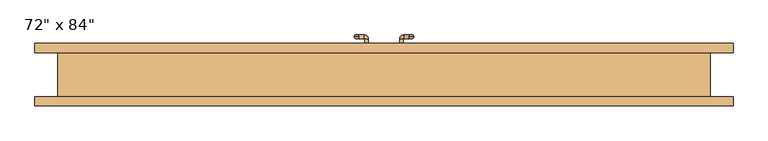
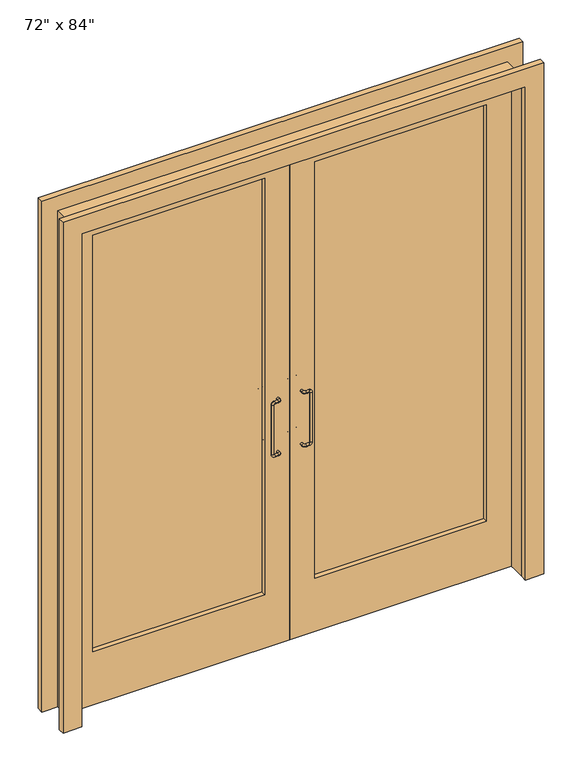
"""IFC4 building model written with IfcOpenShell, lengths in millimetres: door geometry."""

import ifcopenshell
import ifcopenshell.guid

model = None  # the IFC model being written
_history = None  # IfcOwnerHistory: only IFC2X3 demands one
_inside = {}  # id of a spatial element -> (the spatial element, [elements in it])
_under = {}  # id of a project, library or spatial element -> (it, [spatial elements below it])
_declared = {}  # id of a project -> (the project, [libraries it declares])
_typed = {}  # id of a type object -> (the type object, [elements of that type])
_made_of = {}  # id of a material, layer set ... -> (it, [elements and type objects made of it])


def new_model(schema):
    """Start an empty IFC model of exactly this schema.

    Asked for "IFC4X3", IfcOpenShell would pick the latest addendum, in which some entities
    have other attributes; the version numbers below select the first issue.
    IFC2X3 requires an IfcOwnerHistory on every rooted entity: one is made here for all.
    """
    global model, _history
    if schema == "IFC4X3":
        model = ifcopenshell.file(schema_version=(4, 3, 0, 0))
    else:
        model = ifcopenshell.file(schema=schema)
    _inside.clear()
    _under.clear()
    _declared.clear()
    _typed.clear()
    _made_of.clear()
    _history = None
    if model.schema == "IFC2X3":
        org = make("IfcOrganization", Name="unknown")
        user = make(
            "IfcPersonAndOrganization",
            ThePerson=make("IfcPerson", FamilyName="unknown"),
            TheOrganization=org,
        )
        app = make(
            "IfcApplication",
            ApplicationDeveloper=org,
            Version="unknown",
            ApplicationFullName="unknown",
            ApplicationIdentifier="unknown",
        )
        _history = make(
            "IfcOwnerHistory",
            OwningUser=user,
            OwningApplication=app,
            ChangeAction="ADDED",
            CreationDate=0,
        )
    return model


def make(cls, **values):
    """One entity of the class cls with the attributes given. An attribute that is None is left unset."""
    return model.create_entity(
        cls, **{name: value for name, value in values.items() if value is not None}
    )


def rooted(cls, **values):
    """An entity with a GlobalId (a new one), such as an element, a storey or a relation."""
    return make(cls, GlobalId=ifcopenshell.guid.new(), OwnerHistory=_history, **values)


def si_unit(unit_type, name, prefix=None):
    """IfcSIUnit, for example si_unit("LENGTHUNIT", "METRE", prefix="MILLI")."""
    return make("IfcSIUnit", UnitType=unit_type, Prefix=prefix, Name=name)


def assignment(units):
    """IfcUnitAssignment: the units of a project."""
    return None if units is None else make("IfcUnitAssignment", Units=units)


def point(xyz):
    """IfcCartesianPoint."""
    return None if xyz is None else make("IfcCartesianPoint", Coordinates=xyz)


def direction(xyz):
    """IfcDirection."""
    return None if xyz is None else make("IfcDirection", DirectionRatios=xyz)


def frame(location, z_axis=None, x_axis=None):
    """IfcAxis2Placement3D, a coordinate frame: its origin and axes. An axis left out is left unset."""
    return make(
        "IfcAxis2Placement3D",
        Location=point(location),
        Axis=direction(z_axis),
        RefDirection=direction(x_axis),
    )


def origin():
    """The frame at (0, 0, 0) with its axes left unset."""
    return frame((0.0, 0.0, 0.0))


def place(relative_to, where):
    """IfcLocalPlacement: puts the frame where relative to a parent placement (None: the world)."""
    return make(
        "IfcLocalPlacement", PlacementRelTo=relative_to, RelativePlacement=where
    )


def context(
    kind, dimensions, precision=None, world=None, true_north=None, identifier=None
):
    """IfcGeometricRepresentationContext, for example the 3D "Model" context."""
    return make(
        "IfcGeometricRepresentationContext",
        ContextIdentifier=identifier,
        ContextType=kind,
        CoordinateSpaceDimension=dimensions,
        Precision=precision,
        WorldCoordinateSystem=world,
        TrueNorth=true_north,
    )


def project(units=None, contexts=None):
    """IfcProject with its units and contexts."""
    return rooted(
        "IfcProject",
        Name="project",
        RepresentationContexts=contexts,
        UnitsInContext=assignment(units),
    )


def spatial(cls, under=None, at=None, **own):
    """A site, building, storey or space (cls), placed at a placement, below another one or the project."""
    s = rooted(cls, ObjectPlacement=at, **own)
    if under is not None:
        _under.setdefault(under.id(), (under, []))[1].append(s)
    return s


def polyline(points):
    """IfcPolyline through the points."""
    return make("IfcPolyline", Points=[point(p) for p in points])


def circle_curve(where, radius):
    """IfcCircle in the frame where."""
    return make("IfcCircle", Position=where, Radius=radius)


def ellipse_curve(where, semi_axis1, semi_axis2):
    """IfcEllipse in the frame where."""
    return make(
        "IfcEllipse", Position=where, SemiAxis1=semi_axis1, SemiAxis2=semi_axis2
    )


def trimmed(basis, trim1, trim2, sense, master):
    """IfcTrimmedCurve: the piece of a basis curve between two trims."""
    return make(
        "IfcTrimmedCurve",
        BasisCurve=basis,
        Trim1=trim1,
        Trim2=trim2,
        SenseAgreement=sense,
        MasterRepresentation=master,
    )


def outline(outer, holes=None, kind="AREA"):
    """IfcArbitraryClosedProfileDef: a profile drawn as a closed curve; with holes, ...WithVoids."""
    if holes is None:
        return make("IfcArbitraryClosedProfileDef", ProfileType=kind, OuterCurve=outer)
    return make(
        "IfcArbitraryProfileDefWithVoids",
        ProfileType=kind,
        OuterCurve=outer,
        InnerCurves=holes,
    )


def extrude(swept, where, along, depth):
    """IfcExtrudedAreaSolid: the profile swept, set in the frame where, extruded along a direction by depth."""
    return make(
        "IfcExtrudedAreaSolid",
        SweptArea=swept,
        Position=where,
        ExtrudedDirection=direction(along),
        Depth=depth,
    )


def shape(context_of_items, identifier, shape_type, items):
    """IfcShapeRepresentation: the items that make up one representation, for example the "Body"."""
    return make(
        "IfcShapeRepresentation",
        ContextOfItems=context_of_items,
        RepresentationIdentifier=identifier,
        RepresentationType=shape_type,
        Items=items,
    )


def source(mapping_origin, context_of_items, identifier, shape_type, items):
    """IfcRepresentationMap: a shape defined once, which mapped items show again and again."""
    return make(
        "IfcRepresentationMap",
        MappingOrigin=mapping_origin,
        MappedRepresentation=shape(context_of_items, identifier, shape_type, items),
    )


def transform(
    local_origin,
    x_axis=None,
    y_axis=None,
    z_axis=None,
    scale=None,
    scale2=None,
    scale3=None,
    uniform=True,
):
    """IfcCartesianTransformationOperator3D, or its non-uniform kind. x_axis, y_axis, z_axis: its Axis1, 2, 3."""
    if uniform:
        return make(
            "IfcCartesianTransformationOperator3D",
            Axis1=direction(x_axis),
            Axis2=direction(y_axis),
            LocalOrigin=point(local_origin),
            Scale=scale,
            Axis3=direction(z_axis),
        )
    return make(
        "IfcCartesianTransformationOperator3DnonUniform",
        Axis1=direction(x_axis),
        Axis2=direction(y_axis),
        LocalOrigin=point(local_origin),
        Scale=scale,
        Axis3=direction(z_axis),
        Scale2=scale2,
        Scale3=scale3,
    )


def mapped(mapping_source, mapping_target):
    """IfcMappedItem: shows the shape of a source again, moved by a transform."""
    return make(
        "IfcMappedItem", MappingSource=mapping_source, MappingTarget=mapping_target
    )


def made_of(thing, what):
    """Note that an element or type object is made of a material, layer set ...; save() writes the relation."""
    if what is not None:
        _made_of.setdefault(what.id(), (what, []))[1].append(thing)
    return thing


def element(
    cls,
    number,
    at=None,
    inside=None,
    cuts=None,
    type_object=None,
    material=None,
    context=None,
    identifier="Body",
    shape_type=None,
    held_by="IfcProductDefinitionShape",
    body=None,
    shapes=None,
    **own,
):
    """One element of the class cls, such as IfcWall. Its Tag is "e" and its number.

    at: its placement. inside: the storey or other place that contains it. cuts: it is an
    opening in that element (IfcRelVoidsElement). A single representation is given by context,
    identifier, shape_type and body (its items); several are given by shapes. held_by: the class
    of the entity that holds the representations. save() writes the other relations.
    """
    e = rooted(cls, Tag="e%d" % number, ObjectPlacement=at, **own)
    if body is not None:
        shapes = [shape(context, identifier, shape_type, body)]
    if shapes is not None:
        e.Representation = make(held_by, Representations=shapes)
    if inside is not None:
        _inside.setdefault(inside.id(), (inside, []))[1].append(e)
    if cuts is not None:
        rooted(
            "IfcRelVoidsElement", RelatingBuildingElement=cuts, RelatedOpeningElement=e
        )
    if type_object is not None:
        _typed.setdefault(type_object.id(), (type_object, []))[1].append(e)
    return made_of(e, material)


def aggregate(whole, parts):
    """IfcRelAggregates: a whole, such as a stair, and the parts it consists of."""
    return rooted("IfcRelAggregates", RelatingObject=whole, RelatedObjects=parts)


def save(model, path):
    """Write the relations noted so far, then the file.

    IfcRelAggregates (storeys below a building ...), IfcRelContainedInSpatialStructure (elements
    in a storey), IfcRelDefinesByType, IfcRelAssociatesMaterial and IfcRelDeclares: one each for
    every whole, place, type object, material and project.
    """
    for whole, parts in _under.values():
        aggregate(whole, parts)
    for where, things in _inside.values():
        rooted(
            "IfcRelContainedInSpatialStructure",
            RelatedElements=things,
            RelatingStructure=where,
        )
    for kind, things in _typed.values():
        rooted("IfcRelDefinesByType", RelatedObjects=things, RelatingType=kind)
    for what, things in _made_of.values():
        rooted("IfcRelAssociatesMaterial", RelatedObjects=things, RelatingMaterial=what)
    for by, libraries in _declared.values():
        rooted("IfcRelDeclares", RelatingContext=by, RelatedDefinitions=libraries)
    model.write(path)


def plane_surface(at):
    """IfcPlane: the flat surface through the origin of the frame at, square to its z axis."""
    return make("IfcPlane", Position=at)


def cylinder_surface(at, radius):
    """IfcCylindricalSurface: all points at the distance radius from the z axis of the frame at."""
    return make("IfcCylindricalSurface", Position=at, Radius=radius)


def revolved_surface(curve, axis_point, axis_direction):
    """IfcSurfaceOfRevolution: the curve turned about the line through axis_point along axis_direction."""
    return make(
        "IfcSurfaceOfRevolution",
        SweptCurve=make("IfcArbitraryOpenProfileDef", ProfileType="CURVE", Curve=curve),
        AxisPosition=make("IfcAxis1Placement", Location=point(axis_point), Axis=direction(axis_direction)),
    )


def advanced_brep(points, edges, surfaces, faces):
    """IfcAdvancedBrep: a solid bounded by faces that lie on surfaces and meet in shared edges.

    An edge is (start, end): straight between two places in points (the first is 0);
    or (start, end, curve); or (start, end, curve, False) where it runs against its curve.
    A face is (place in surfaces, loops), or (place, loops, False) where it looks against
    its surface's normal. A loop lists edges by number (the first is 1), with a minus sign
    where the edge is run from its end to its start. The first loop is the outer one.
    """
    corners = [point(p) for p in points]
    vertices = [make("IfcVertexPoint", VertexGeometry=c) for c in corners]
    made = []
    for start, end, *more in edges:
        made.append(
            make(
                "IfcEdgeCurve",
                EdgeStart=vertices[start],
                EdgeEnd=vertices[end],
                EdgeGeometry=more[0] if more else make("IfcPolyline", Points=[corners[start], corners[end]]),
                SameSense=more[1] if len(more) > 1 else True,
            )
        )
    hull = []
    for where, loops, *sense in faces:
        bounds = []
        for j, loop in enumerate(loops):
            ring = [make("IfcOrientedEdge", EdgeElement=made[abs(k) - 1], Orientation=k > 0) for k in loop]
            bounds.append(
                make(
                    "IfcFaceOuterBound" if j == 0 else "IfcFaceBound",
                    Bound=make("IfcEdgeLoop", EdgeList=ring),
                    Orientation=True,
                )
            )
        hull.append(make("IfcAdvancedFace", Bounds=bounds, FaceSurface=surfaces[where], SameSense=sense[0] if sense else True))
    return make("IfcAdvancedBrep", Outer=make("IfcClosedShell", CfsFaces=hull))


def door_be21f1e5(model_context):
    return source(origin(), model_context, "Body", "SolidModel", [
        advanced_brep(
        [(-83.5, 106.2, 833.5), (-70.5, 106.2, 820.5), (-70.5, 101.2, 825.5), (-70.5, 106.2, 830.5), (-73.5, 106.2, 833.5), (-70.5, 111.2, 825.5), (-73.5, 106.2, 1046.1), (-83.5, 106.2, 1046.1), (-70.5, 106.2, 1049.1), (-70.5, 101.2, 1054.1), (-70.5, 106.2, 1059.1), (-70.5, 111.2, 1054.1), (-43.5, 76.2, 1054.1), (-53.5, 76.2, 1054.1), (-43.5, 99.2, 1054.1), (-53.5, 99.2, 1054.1), (-55.5, 111.2, 1054.1), (-55.5, 101.2, 1054.1), (-43.5, 76.2, 825.5), (-53.5, 76.2, 825.5), (-43.5, 99.2, 825.5), (-53.5, 99.2, 825.5), (-55.5, 111.2, 825.5), (-55.5, 101.2, 825.5)],
        [
            (0, 1, circle_curve(frame((-70.5, 106.2, 833.5), z_axis=(0.0, -1.0, 0.0), x_axis=(0.0, 0.0, -1.0)), 13.0)),
            (1, 2, circle_curve(frame((-70.5, 106.2, 825.5), z_axis=(-1.0, 0.0, 0.0), x_axis=(0.0, 0.0, -1.0)), 5.0)),
            (2, 3, circle_curve(frame((-70.5, 106.2, 825.5), z_axis=(-1.0, 0.0, 0.0), x_axis=(0.0, 0.0, -1.0)), 5.0)),
            (3, 4, circle_curve(frame((-70.5, 106.2, 833.5), z_axis=(0.0, 1.0, 0.0), x_axis=(0.0, 0.0, -1.0)), 3.0)),
            (4, 0, circle_curve(frame((-78.5, 106.2, 833.5), z_axis=(0.0, 0.0, -1.0), x_axis=(-1.0, 0.0, 0.0)), 5.0)),
            (0, 4, circle_curve(frame((-78.5, 106.2, 833.5), z_axis=(0.0, 0.0, -1.0), x_axis=(-1.0, 0.0, 0.0)), 5.0)),
            (3, 5, circle_curve(frame((-70.5, 106.2, 825.5), z_axis=(-1.0, 0.0, 0.0), x_axis=(0.0, 0.0, -1.0)), 5.0)),
            (5, 1, circle_curve(frame((-70.5, 106.2, 825.5), z_axis=(-1.0, 0.0, 0.0), x_axis=(0.0, 0.0, -1.0)), 5.0)),
            (4, 6),
            (6, 7, circle_curve(frame((-78.5, 106.2, 1046.1), z_axis=(0.0, 0.0, -1.0), x_axis=(-1.0, 0.0, 0.0)), 5.0)),
            (7, 0),
            (7, 6, circle_curve(frame((-78.5, 106.2, 1046.1), z_axis=(0.0, 0.0, -1.0), x_axis=(-1.0, 0.0, 0.0)), 5.0)),
            (6, 8, circle_curve(frame((-70.5, 106.2, 1046.1), z_axis=(0.0, 1.0, 0.0), x_axis=(-1.0, 0.0, 0.0)), 3.0)),
            (8, 9, circle_curve(frame((-70.5, 106.2, 1054.1), z_axis=(-1.0, 0.0, 0.0), x_axis=(0.0, 0.0, 1.0)), 5.0)),
            (9, 10, circle_curve(frame((-70.5, 106.2, 1054.1), z_axis=(-1.0, 0.0, 0.0), x_axis=(0.0, 0.0, 1.0)), 5.0)),
            (10, 7, circle_curve(frame((-70.5, 106.2, 1046.1), z_axis=(0.0, -1.0, 0.0), x_axis=(-1.0, 0.0, 0.0)), 13.0)),
            (10, 11, circle_curve(frame((-70.5, 106.2, 1054.1), z_axis=(-1.0, 0.0, 0.0), x_axis=(0.0, 0.0, 1.0)), 5.0)),
            (11, 8, circle_curve(frame((-70.5, 106.2, 1054.1), z_axis=(-1.0, 0.0, 0.0), x_axis=(0.0, 0.0, 1.0)), 5.0)),
            (12, 13, circle_curve(frame((-48.5, 76.2, 1054.1), z_axis=(0.0, -1.0, 0.0), x_axis=(-1.0, 0.0, 0.0)), 5.0)),
            (13, 12, circle_curve(frame((-48.5, 76.2, 1054.1), z_axis=(0.0, -1.0, 0.0), x_axis=(-1.0, 0.0, 0.0)), 5.0)),
            (12, 14),
            (14, 15, circle_curve(frame((-48.5, 99.2, 1054.1), z_axis=(0.0, -1.0, 0.0), x_axis=(-1.0, 0.0, 0.0)), 5.0)),
            (15, 13),
            (15, 14, circle_curve(frame((-48.5, 99.2, 1054.1), z_axis=(0.0, -1.0, 0.0), x_axis=(-1.0, 0.0, 0.0)), 5.0)),
            (14, 16, circle_curve(frame((-55.5, 99.2, 1054.1), z_axis=(0.0, 0.0, 1.0), x_axis=(1.0, 0.0, 0.0)), 12.0)),
            (16, 17, circle_curve(frame((-55.5, 106.2, 1054.1), z_axis=(1.0, 0.0, 0.0), x_axis=(0.0, -1.0, 0.0)), 5.0)),
            (17, 15, circle_curve(frame((-55.5, 99.2, 1054.1), z_axis=(0.0, 0.0, -1.0), x_axis=(1.0, 0.0, 0.0)), 2.0)),
            (17, 16, circle_curve(frame((-55.5, 106.2, 1054.1), z_axis=(1.0, 0.0, 0.0), x_axis=(0.0, -1.0, 0.0)), 5.0)),
            (16, 11),
            (9, 17),
            (18, 19, circle_curve(frame((-48.5, 76.2, 825.5), z_axis=(0.0, -1.0, 0.0), x_axis=(-1.0, 0.0, 0.0)), 5.0)),
            (19, 18, circle_curve(frame((-48.5, 76.2, 825.5), z_axis=(0.0, -1.0, 0.0), x_axis=(-1.0, 0.0, 0.0)), 5.0)),
            (18, 20),
            (20, 21, circle_curve(frame((-48.5, 99.2, 825.5), z_axis=(0.0, -1.0, 0.0), x_axis=(-1.0, 0.0, 0.0)), 5.0)),
            (21, 19),
            (21, 20, circle_curve(frame((-48.5, 99.2, 825.5), z_axis=(0.0, -1.0, 0.0), x_axis=(-1.0, 0.0, 0.0)), 5.0)),
            (20, 22, circle_curve(frame((-55.5, 99.2, 825.5), z_axis=(0.0, 0.0, 1.0), x_axis=(1.0, 0.0, 0.0)), 12.0)),
            (22, 23, circle_curve(frame((-55.5, 106.2, 825.5), z_axis=(1.0, 0.0, 0.0), x_axis=(0.0, -1.0, 0.0)), 5.0)),
            (23, 21, circle_curve(frame((-55.5, 99.2, 825.5), z_axis=(0.0, 0.0, -1.0), x_axis=(1.0, 0.0, 0.0)), 2.0)),
            (23, 22, circle_curve(frame((-55.5, 106.2, 825.5), z_axis=(1.0, 0.0, 0.0), x_axis=(0.0, -1.0, 0.0)), 5.0)),
            (22, 5),
            (2, 23),
        ],
        [
            revolved_surface(trimmed(ellipse_curve(frame((-70.5, 106.2, 825.5), z_axis=(1.0, 0.0, 0.0), x_axis=(0.0, 0.0, -1.0)), 5.0, 5.0), [point((-70.5, 106.2, 830.5))], [point((-70.5, 106.2, 820.5))], True, "CARTESIAN"), (-70.5, 106.2, 833.5), (0.0, 1.0, 0.0)),
            revolved_surface(trimmed(ellipse_curve(frame((-70.5, 106.2, 825.5), z_axis=(1.0, 0.0, 0.0), x_axis=(0.0, 0.0, -1.0)), 5.0, 5.0), [point((-70.5, 106.2, 820.5))], [point((-70.5, 106.2, 830.5))], True, "CARTESIAN"), (-70.5, 106.2, 833.5), (0.0, 1.0, 0.0)),
            cylinder_surface(frame((-78.5, 106.2, 833.5), z_axis=(0.0, 0.0, -1.0), x_axis=(-1.0, 0.0, 0.0)), 5.0),
            revolved_surface(trimmed(ellipse_curve(frame((-78.5, 106.2, 1046.1), z_axis=(0.0, 0.0, -1.0), x_axis=(-1.0, 0.0, 0.0)), 5.0, 5.0), [point((-73.5, 106.2, 1046.1))], [point((-83.5, 106.2, 1046.1))], True, "CARTESIAN"), (-70.5, 106.2, 1046.1), (0.0, 1.0, 0.0)),
            revolved_surface(trimmed(ellipse_curve(frame((-78.5, 106.2, 1046.1), z_axis=(0.0, 0.0, -1.0), x_axis=(-1.0, 0.0, 0.0)), 5.0, 5.0), [point((-83.5, 106.2, 1046.1))], [point((-73.5, 106.2, 1046.1))], True, "CARTESIAN"), (-70.5, 106.2, 1046.1), (0.0, 1.0, 0.0)),
            plane_surface(frame((-48.5, 76.2, 1054.1), z_axis=(0.0, -1.0, 0.0), x_axis=(0.0, 0.0, 1.0))),
            cylinder_surface(frame((-48.5, 76.2, 1054.1), z_axis=(0.0, -1.0, 0.0), x_axis=(-1.0, 0.0, 0.0)), 5.0),
            revolved_surface(trimmed(ellipse_curve(frame((-48.5, 99.2, 1054.1), z_axis=(0.0, -1.0, 0.0), x_axis=(-1.0, 0.0, 0.0)), 5.0, 5.0), [point((-43.5, 99.2, 1054.1))], [point((-53.5, 99.2, 1054.1))], True, "CARTESIAN"), (-55.5, 99.2, 1054.1), (0.0, 0.0, 1.0)),
            revolved_surface(trimmed(ellipse_curve(frame((-48.5, 99.2, 1054.1), z_axis=(0.0, -1.0, 0.0), x_axis=(-1.0, 0.0, 0.0)), 5.0, 5.0), [point((-53.5, 99.2, 1054.1))], [point((-43.5, 99.2, 1054.1))], True, "CARTESIAN"), (-55.5, 99.2, 1054.1), (0.0, 0.0, 1.0)),
            cylinder_surface(frame((-55.5, 106.2, 1054.1), z_axis=(1.0, 0.0, 0.0), x_axis=(0.0, -1.0, 0.0)), 5.0),
            plane_surface(frame((-48.5, 76.2, 825.5), z_axis=(0.0, -1.0, 0.0), x_axis=(0.0, 0.0, 1.0))),
            cylinder_surface(frame((-48.5, 76.2, 825.5), z_axis=(0.0, -1.0, 0.0), x_axis=(-1.0, 0.0, 0.0)), 5.0),
            revolved_surface(trimmed(ellipse_curve(frame((-48.5, 99.2, 825.5), z_axis=(0.0, -1.0, 0.0), x_axis=(-1.0, 0.0, 0.0)), 5.0, 5.0), [point((-43.5, 99.2, 825.5))], [point((-53.5, 99.2, 825.5))], True, "CARTESIAN"), (-55.5, 99.2, 825.5), (0.0, 0.0, 1.0)),
            revolved_surface(trimmed(ellipse_curve(frame((-48.5, 99.2, 825.5), z_axis=(0.0, -1.0, 0.0), x_axis=(-1.0, 0.0, 0.0)), 5.0, 5.0), [point((-53.5, 99.2, 825.5))], [point((-43.5, 99.2, 825.5))], True, "CARTESIAN"), (-55.5, 99.2, 825.5), (0.0, 0.0, 1.0)),
            cylinder_surface(frame((-55.5, 106.2, 825.5), z_axis=(1.0, 0.0, 0.0), x_axis=(0.0, -1.0, 0.0)), 5.0),
        ],
        [
            (0, [[1, 2, 3, 4, 5]]),
            (1, [[-1, 6, -4, 7, 8]]),
            (2, [[-5, 9, 10, 11]]),
            (2, [[-6, -11, 12, -9]]),
            (3, [[-10, 13, 14, 15, 16]]),
            (4, [[-12, -16, 17, 18, -13]]),
            (5, [[19, 20]]),
            (6, [[-19, 21, 22, 23]]),
            (6, [[-20, -23, 24, -21]]),
            (7, [[-22, 25, 26, 27]]),
            (8, [[-24, -27, 28, -25]]),
            (9, [[-26, 29, -17, -15, 30]]),
            (9, [[-28, -30, -14, -18, -29]]),
            (10, [[31, 32]]),
            (11, [[-31, 33, 34, 35]]),
            (11, [[-32, -35, 36, -33]]),
            (12, [[-34, 37, 38, 39]]),
            (13, [[-36, -39, 40, -37]]),
            (14, [[-38, 41, -7, -3, 42]]),
            (14, [[-40, -42, -2, -8, -41]]),
        ],
    ),
        advanced_brep(
        [(83.5, 106.2, 833.5), (73.5, 106.2, 833.5), (70.5, 106.2, 830.5), (70.5, 101.2, 825.5), (70.5, 106.2, 820.5), (70.5, 111.2, 825.5), (83.5, 106.2, 1046.1), (73.5, 106.2, 1046.1), (70.5, 106.2, 1059.1), (70.5, 101.2, 1054.1), (70.5, 106.2, 1049.1), (70.5, 111.2, 1054.1), (43.5, 76.2, 1054.1), (53.5, 76.2, 1054.1), (53.5, 99.2, 1054.1), (43.5, 99.2, 1054.1), (55.5, 101.2, 1054.1), (55.5, 111.2, 1054.1), (43.5, 76.2, 825.5), (53.5, 76.2, 825.5), (53.5, 99.2, 825.5), (43.5, 99.2, 825.5), (55.5, 101.2, 825.5), (55.5, 111.2, 825.5)],
        [
            (0, 1, circle_curve(frame((78.5, 106.2, 833.5), z_axis=(0.0, 0.0, -1.0), x_axis=(1.0, 0.0, 0.0)), 5.0)),
            (1, 2, circle_curve(frame((70.5, 106.2, 833.5), z_axis=(0.0, 1.0, 0.0), x_axis=(0.0, 0.0, -1.0)), 3.0)),
            (2, 3, circle_curve(frame((70.5, 106.2, 825.5), z_axis=(1.0, 0.0, 0.0), x_axis=(0.0, 0.0, -1.0)), 5.0)),
            (3, 4, circle_curve(frame((70.5, 106.2, 825.5), z_axis=(1.0, 0.0, 0.0), x_axis=(0.0, 0.0, -1.0)), 5.0)),
            (4, 0, circle_curve(frame((70.5, 106.2, 833.5), z_axis=(0.0, -1.0, 0.0), x_axis=(0.0, 0.0, -1.0)), 13.0)),
            (4, 5, circle_curve(frame((70.5, 106.2, 825.5), z_axis=(1.0, 0.0, 0.0), x_axis=(0.0, 0.0, -1.0)), 5.0)),
            (5, 2, circle_curve(frame((70.5, 106.2, 825.5), z_axis=(1.0, 0.0, 0.0), x_axis=(0.0, 0.0, -1.0)), 5.0)),
            (1, 0, circle_curve(frame((78.5, 106.2, 833.5), z_axis=(0.0, 0.0, -1.0), x_axis=(1.0, 0.0, 0.0)), 5.0)),
            (0, 6),
            (6, 7, circle_curve(frame((78.5, 106.2, 1046.1), z_axis=(0.0, 0.0, -1.0), x_axis=(1.0, 0.0, 0.0)), 5.0)),
            (7, 1),
            (7, 6, circle_curve(frame((78.5, 106.2, 1046.1), z_axis=(0.0, 0.0, -1.0), x_axis=(1.0, 0.0, 0.0)), 5.0)),
            (6, 8, circle_curve(frame((70.5, 106.2, 1046.1), z_axis=(0.0, -1.0, 0.0), x_axis=(1.0, 0.0, 0.0)), 13.0)),
            (8, 9, circle_curve(frame((70.5, 106.2, 1054.1), z_axis=(1.0, 0.0, 0.0), x_axis=(0.0, 0.0, 1.0)), 5.0)),
            (9, 10, circle_curve(frame((70.5, 106.2, 1054.1), z_axis=(1.0, 0.0, 0.0), x_axis=(0.0, 0.0, 1.0)), 5.0)),
            (10, 7, circle_curve(frame((70.5, 106.2, 1046.1), z_axis=(0.0, 1.0, 0.0), x_axis=(1.0, 0.0, 0.0)), 3.0)),
            (10, 11, circle_curve(frame((70.5, 106.2, 1054.1), z_axis=(1.0, 0.0, 0.0), x_axis=(0.0, 0.0, 1.0)), 5.0)),
            (11, 8, circle_curve(frame((70.5, 106.2, 1054.1), z_axis=(1.0, 0.0, 0.0), x_axis=(0.0, 0.0, 1.0)), 5.0)),
            (12, 13, circle_curve(frame((48.5, 76.2, 1054.1), z_axis=(0.0, -1.0, 0.0), x_axis=(1.0, 0.0, 0.0)), 5.0)),
            (13, 12, circle_curve(frame((48.5, 76.2, 1054.1), z_axis=(0.0, -1.0, 0.0), x_axis=(1.0, 0.0, 0.0)), 5.0)),
            (13, 14),
            (14, 15, circle_curve(frame((48.5, 99.2, 1054.1), z_axis=(0.0, -1.0, 0.0), x_axis=(1.0, 0.0, 0.0)), 5.0)),
            (15, 12),
            (15, 14, circle_curve(frame((48.5, 99.2, 1054.1), z_axis=(0.0, -1.0, 0.0), x_axis=(1.0, 0.0, 0.0)), 5.0)),
            (14, 16, circle_curve(frame((55.5, 99.2, 1054.1), z_axis=(0.0, 0.0, -1.0), x_axis=(-1.0, 0.0, 0.0)), 2.0)),
            (16, 17, circle_curve(frame((55.5, 106.2, 1054.1), z_axis=(-1.0, 0.0, 0.0), x_axis=(0.0, -1.0, 0.0)), 5.0)),
            (17, 15, circle_curve(frame((55.5, 99.2, 1054.1), z_axis=(0.0, 0.0, 1.0), x_axis=(-1.0, 0.0, 0.0)), 12.0)),
            (17, 16, circle_curve(frame((55.5, 106.2, 1054.1), z_axis=(-1.0, 0.0, 0.0), x_axis=(0.0, -1.0, 0.0)), 5.0)),
            (16, 9),
            (11, 17),
            (18, 19, circle_curve(frame((48.5, 76.2, 825.5), z_axis=(0.0, -1.0, 0.0), x_axis=(1.0, 0.0, 0.0)), 5.0)),
            (19, 18, circle_curve(frame((48.5, 76.2, 825.5), z_axis=(0.0, -1.0, 0.0), x_axis=(1.0, 0.0, 0.0)), 5.0)),
            (19, 20),
            (20, 21, circle_curve(frame((48.5, 99.2, 825.5), z_axis=(0.0, -1.0, 0.0), x_axis=(1.0, 0.0, 0.0)), 5.0)),
            (21, 18),
            (21, 20, circle_curve(frame((48.5, 99.2, 825.5), z_axis=(0.0, -1.0, 0.0), x_axis=(1.0, 0.0, 0.0)), 5.0)),
            (20, 22, circle_curve(frame((55.5, 99.2, 825.5), z_axis=(0.0, 0.0, -1.0), x_axis=(-1.0, 0.0, 0.0)), 2.0)),
            (22, 23, circle_curve(frame((55.5, 106.2, 825.5), z_axis=(-1.0, 0.0, 0.0), x_axis=(0.0, -1.0, 0.0)), 5.0)),
            (23, 21, circle_curve(frame((55.5, 99.2, 825.5), z_axis=(0.0, 0.0, 1.0), x_axis=(-1.0, 0.0, 0.0)), 12.0)),
            (23, 22, circle_curve(frame((55.5, 106.2, 825.5), z_axis=(-1.0, 0.0, 0.0), x_axis=(0.0, -1.0, 0.0)), 5.0)),
            (22, 3),
            (5, 23),
        ],
        [
            revolved_surface(trimmed(ellipse_curve(frame((70.5, 106.2, 825.5), z_axis=(1.0, 0.0, 0.0), x_axis=(0.0, 0.0, -1.0)), 5.0, 5.0), [point((70.5, 106.2, 830.5))], [point((70.5, 106.2, 820.5))], True, "CARTESIAN"), (70.5, 106.2, 833.5), (0.0, 1.0, 0.0)),
            revolved_surface(trimmed(ellipse_curve(frame((70.5, 106.2, 825.5), z_axis=(1.0, 0.0, 0.0), x_axis=(0.0, 0.0, -1.0)), 5.0, 5.0), [point((70.5, 106.2, 820.5))], [point((70.5, 106.2, 830.5))], True, "CARTESIAN"), (70.5, 106.2, 833.5), (0.0, 1.0, 0.0)),
            cylinder_surface(frame((78.5, 106.2, 833.5), z_axis=(0.0, 0.0, -1.0), x_axis=(1.0, 0.0, 0.0)), 5.0),
            revolved_surface(trimmed(ellipse_curve(frame((78.5, 106.2, 1046.1), z_axis=(0.0, 0.0, 1.0), x_axis=(1.0, 0.0, 0.0)), 5.0, 5.0), [point((73.5, 106.2, 1046.1))], [point((83.5, 106.2, 1046.1))], True, "CARTESIAN"), (70.5, 106.2, 1046.1), (0.0, 1.0, 0.0)),
            revolved_surface(trimmed(ellipse_curve(frame((78.5, 106.2, 1046.1), z_axis=(0.0, 0.0, 1.0), x_axis=(1.0, 0.0, 0.0)), 5.0, 5.0), [point((83.5, 106.2, 1046.1))], [point((73.5, 106.2, 1046.1))], True, "CARTESIAN"), (70.5, 106.2, 1046.1), (0.0, 1.0, 0.0)),
            plane_surface(frame((48.5, 76.2, 1054.1), z_axis=(0.0, -1.0, 0.0), x_axis=(0.0, 0.0, 1.0))),
            cylinder_surface(frame((48.5, 76.2, 1054.1), z_axis=(0.0, -1.0, 0.0), x_axis=(1.0, 0.0, 0.0)), 5.0),
            revolved_surface(trimmed(ellipse_curve(frame((48.5, 99.2, 1054.1), z_axis=(0.0, 1.0, 0.0), x_axis=(1.0, 0.0, 0.0)), 5.0, 5.0), [point((43.5, 99.2, 1054.1))], [point((53.5, 99.2, 1054.1))], True, "CARTESIAN"), (55.5, 99.2, 1054.1), (0.0, 0.0, 1.0)),
            revolved_surface(trimmed(ellipse_curve(frame((48.5, 99.2, 1054.1), z_axis=(0.0, 1.0, 0.0), x_axis=(1.0, 0.0, 0.0)), 5.0, 5.0), [point((53.5, 99.2, 1054.1))], [point((43.5, 99.2, 1054.1))], True, "CARTESIAN"), (55.5, 99.2, 1054.1), (0.0, 0.0, 1.0)),
            cylinder_surface(frame((55.5, 106.2, 1054.1), z_axis=(-1.0, 0.0, 0.0), x_axis=(0.0, -1.0, 0.0)), 5.0),
            plane_surface(frame((48.5, 76.2, 825.5), z_axis=(0.0, -1.0, 0.0), x_axis=(0.0, 0.0, 1.0))),
            cylinder_surface(frame((48.5, 76.2, 825.5), z_axis=(0.0, -1.0, 0.0), x_axis=(1.0, 0.0, 0.0)), 5.0),
            revolved_surface(trimmed(ellipse_curve(frame((48.5, 99.2, 825.5), z_axis=(0.0, 1.0, 0.0), x_axis=(1.0, 0.0, 0.0)), 5.0, 5.0), [point((43.5, 99.2, 825.5))], [point((53.5, 99.2, 825.5))], True, "CARTESIAN"), (55.5, 99.2, 825.5), (0.0, 0.0, 1.0)),
            revolved_surface(trimmed(ellipse_curve(frame((48.5, 99.2, 825.5), z_axis=(0.0, 1.0, 0.0), x_axis=(1.0, 0.0, 0.0)), 5.0, 5.0), [point((53.5, 99.2, 825.5))], [point((43.5, 99.2, 825.5))], True, "CARTESIAN"), (55.5, 99.2, 825.5), (0.0, 0.0, 1.0)),
            cylinder_surface(frame((55.5, 106.2, 825.5), z_axis=(-1.0, 0.0, 0.0), x_axis=(0.0, -1.0, 0.0)), 5.0),
        ],
        [
            (0, [[1, 2, 3, 4, 5]]),
            (1, [[6, 7, -2, 8, -5]]),
            (2, [[9, 10, 11, -1]]),
            (2, [[-11, 12, -9, -8]]),
            (3, [[13, 14, 15, 16, -10]]),
            (4, [[-16, 17, 18, -13, -12]]),
            (5, [[19, 20]]),
            (6, [[21, 22, 23, -20]]),
            (6, [[-23, 24, -21, -19]]),
            (7, [[25, 26, 27, -22]]),
            (8, [[-27, 28, -25, -24]]),
            (9, [[29, -14, -18, 30, -26]]),
            (9, [[-30, -17, -15, -29, -28]]),
            (10, [[31, 32]]),
            (11, [[33, 34, 35, -32]]),
            (11, [[-35, 36, -33, -31]]),
            (12, [[37, 38, 39, -34]]),
            (13, [[-39, 40, -37, -36]]),
            (14, [[41, -3, -7, 42, -38]]),
            (14, [[-42, -6, -4, -41, -40]]),
        ],
    ),
        advanced_brep(
        [(-83.5, -4.6, 833.5), (-73.5, -4.6, 833.5), (-70.5, -4.6, 830.5), (-70.5, 0.4, 825.5), (-70.5, -4.6, 820.5), (-70.5, -9.6, 825.5), (-83.5, -4.6, 1046.1), (-73.5, -4.6, 1046.1), (-70.5, -4.6, 1059.1), (-70.5, 0.4, 1054.1), (-70.5, -4.6, 1049.1), (-70.5, -9.6, 1054.1), (-43.5, 25.4, 1054.1), (-53.5, 25.4, 1054.1), (-53.5, 2.4, 1054.1), (-43.5, 2.4, 1054.1), (-55.5, 0.4, 1054.1), (-55.5, -9.6, 1054.1), (-43.5, 25.4, 825.5), (-53.5, 25.4, 825.5), (-53.5, 2.4, 825.5), (-43.5, 2.4, 825.5), (-55.5, 0.4, 825.5), (-55.5, -9.6, 825.5)],
        [
            (0, 1, circle_curve(frame((-78.5, -4.6, 833.5), z_axis=(0.0, 0.0, -1.0), x_axis=(-1.0, 0.0, 0.0)), 5.0)),
            (1, 2, circle_curve(frame((-70.5, -4.6, 833.5), z_axis=(0.0, -1.0, 0.0), x_axis=(0.0, 0.0, -1.0)), 3.0)),
            (2, 3, circle_curve(frame((-70.5, -4.6, 825.5), z_axis=(-1.0, 0.0, 0.0), x_axis=(0.0, 0.0, -1.0)), 5.0)),
            (3, 4, circle_curve(frame((-70.5, -4.6, 825.5), z_axis=(-1.0, 0.0, 0.0), x_axis=(0.0, 0.0, -1.0)), 5.0)),
            (4, 0, circle_curve(frame((-70.5, -4.6, 833.5), z_axis=(0.0, 1.0, 0.0), x_axis=(0.0, 0.0, -1.0)), 13.0)),
            (4, 5, circle_curve(frame((-70.5, -4.6, 825.5), z_axis=(-1.0, 0.0, 0.0), x_axis=(0.0, 0.0, -1.0)), 5.0)),
            (5, 2, circle_curve(frame((-70.5, -4.6, 825.5), z_axis=(-1.0, 0.0, 0.0), x_axis=(0.0, 0.0, -1.0)), 5.0)),
            (1, 0, circle_curve(frame((-78.5, -4.6, 833.5), z_axis=(0.0, 0.0, -1.0), x_axis=(-1.0, 0.0, 0.0)), 5.0)),
            (0, 6),
            (6, 7, circle_curve(frame((-78.5, -4.6, 1046.1), z_axis=(0.0, 0.0, -1.0), x_axis=(-1.0, 0.0, 0.0)), 5.0)),
            (7, 1),
            (7, 6, circle_curve(frame((-78.5, -4.6, 1046.1), z_axis=(0.0, 0.0, -1.0), x_axis=(-1.0, 0.0, 0.0)), 5.0)),
            (6, 8, circle_curve(frame((-70.5, -4.6, 1046.1), z_axis=(0.0, 1.0, 0.0), x_axis=(-1.0, 0.0, 0.0)), 13.0)),
            (8, 9, circle_curve(frame((-70.5, -4.6, 1054.1), z_axis=(-1.0, 0.0, 0.0), x_axis=(0.0, 0.0, 1.0)), 5.0)),
            (9, 10, circle_curve(frame((-70.5, -4.6, 1054.1), z_axis=(-1.0, 0.0, 0.0), x_axis=(0.0, 0.0, 1.0)), 5.0)),
            (10, 7, circle_curve(frame((-70.5, -4.6, 1046.1), z_axis=(0.0, -1.0, 0.0), x_axis=(-1.0, 0.0, 0.0)), 3.0)),
            (10, 11, circle_curve(frame((-70.5, -4.6, 1054.1), z_axis=(-1.0, 0.0, 0.0), x_axis=(0.0, 0.0, 1.0)), 5.0)),
            (11, 8, circle_curve(frame((-70.5, -4.6, 1054.1), z_axis=(-1.0, 0.0, 0.0), x_axis=(0.0, 0.0, 1.0)), 5.0)),
            (12, 13, circle_curve(frame((-48.5, 25.4, 1054.1), z_axis=(0.0, 1.0, 0.0), x_axis=(-1.0, 0.0, 0.0)), 5.0)),
            (13, 12, circle_curve(frame((-48.5, 25.4, 1054.1), z_axis=(0.0, 1.0, 0.0), x_axis=(-1.0, 0.0, 0.0)), 5.0)),
            (13, 14),
            (14, 15, circle_curve(frame((-48.5, 2.4, 1054.1), z_axis=(0.0, 1.0, 0.0), x_axis=(-1.0, 0.0, 0.0)), 5.0)),
            (15, 12),
            (15, 14, circle_curve(frame((-48.5, 2.4, 1054.1), z_axis=(0.0, 1.0, 0.0), x_axis=(-1.0, 0.0, 0.0)), 5.0)),
            (14, 16, circle_curve(frame((-55.5, 2.4, 1054.1), z_axis=(0.0, 0.0, -1.0), x_axis=(1.0, 0.0, 0.0)), 2.0)),
            (16, 17, circle_curve(frame((-55.5, -4.6, 1054.1), z_axis=(1.0, 0.0, 0.0), x_axis=(0.0, 1.0, 0.0)), 5.0)),
            (17, 15, circle_curve(frame((-55.5, 2.4, 1054.1), z_axis=(0.0, 0.0, 1.0), x_axis=(1.0, 0.0, 0.0)), 12.0)),
            (17, 16, circle_curve(frame((-55.5, -4.6, 1054.1), z_axis=(1.0, 0.0, 0.0), x_axis=(0.0, 1.0, 0.0)), 5.0)),
            (16, 9),
            (11, 17),
            (18, 19, circle_curve(frame((-48.5, 25.4, 825.5), z_axis=(0.0, 1.0, 0.0), x_axis=(-1.0, 0.0, 0.0)), 5.0)),
            (19, 18, circle_curve(frame((-48.5, 25.4, 825.5), z_axis=(0.0, 1.0, 0.0), x_axis=(-1.0, 0.0, 0.0)), 5.0)),
            (19, 20),
            (20, 21, circle_curve(frame((-48.5, 2.4, 825.5), z_axis=(0.0, 1.0, 0.0), x_axis=(-1.0, 0.0, 0.0)), 5.0)),
            (21, 18),
            (21, 20, circle_curve(frame((-48.5, 2.4, 825.5), z_axis=(0.0, 1.0, 0.0), x_axis=(-1.0, 0.0, 0.0)), 5.0)),
            (20, 22, circle_curve(frame((-55.5, 2.4, 825.5), z_axis=(0.0, 0.0, -1.0), x_axis=(1.0, 0.0, 0.0)), 2.0)),
            (22, 23, circle_curve(frame((-55.5, -4.6, 825.5), z_axis=(1.0, 0.0, 0.0), x_axis=(0.0, 1.0, 0.0)), 5.0)),
            (23, 21, circle_curve(frame((-55.5, 2.4, 825.5), z_axis=(0.0, 0.0, 1.0), x_axis=(1.0, 0.0, 0.0)), 12.0)),
            (23, 22, circle_curve(frame((-55.5, -4.6, 825.5), z_axis=(1.0, 0.0, 0.0), x_axis=(0.0, 1.0, 0.0)), 5.0)),
            (22, 3),
            (5, 23),
        ],
        [
            revolved_surface(trimmed(ellipse_curve(frame((-70.5, -4.6, 825.5), z_axis=(-1.0, 0.0, 0.0), x_axis=(0.0, 0.0, -1.0)), 5.0, 5.0), [point((-70.5, -4.6, 830.5))], [point((-70.5, -4.6, 820.5))], True, "CARTESIAN"), (-70.5, -4.6, 833.5), (0.0, -1.0, 0.0)),
            revolved_surface(trimmed(ellipse_curve(frame((-70.5, -4.6, 825.5), z_axis=(-1.0, 0.0, 0.0), x_axis=(0.0, 0.0, -1.0)), 5.0, 5.0), [point((-70.5, -4.6, 820.5))], [point((-70.5, -4.6, 830.5))], True, "CARTESIAN"), (-70.5, -4.6, 833.5), (0.0, -1.0, 0.0)),
            cylinder_surface(frame((-78.5, -4.6, 833.5), z_axis=(0.0, 0.0, -1.0), x_axis=(-1.0, 0.0, 0.0)), 5.0),
            revolved_surface(trimmed(ellipse_curve(frame((-78.5, -4.6, 1046.1), z_axis=(0.0, 0.0, 1.0), x_axis=(-1.0, 0.0, 0.0)), 5.0, 5.0), [point((-73.5, -4.6, 1046.1))], [point((-83.5, -4.6, 1046.1))], True, "CARTESIAN"), (-70.5, -4.6, 1046.1), (0.0, -1.0, 0.0)),
            revolved_surface(trimmed(ellipse_curve(frame((-78.5, -4.6, 1046.1), z_axis=(0.0, 0.0, 1.0), x_axis=(-1.0, 0.0, 0.0)), 5.0, 5.0), [point((-83.5, -4.6, 1046.1))], [point((-73.5, -4.6, 1046.1))], True, "CARTESIAN"), (-70.5, -4.6, 1046.1), (0.0, -1.0, 0.0)),
            plane_surface(frame((-48.5, 25.4, 1054.1), z_axis=(0.0, 1.0, 0.0), x_axis=(0.0, 0.0, 1.0))),
            cylinder_surface(frame((-48.5, 25.4, 1054.1), z_axis=(0.0, 1.0, 0.0), x_axis=(-1.0, 0.0, 0.0)), 5.0),
            revolved_surface(trimmed(ellipse_curve(frame((-48.5, 2.4, 1054.1), z_axis=(0.0, -1.0, 0.0), x_axis=(-1.0, 0.0, 0.0)), 5.0, 5.0), [point((-43.5, 2.4, 1054.1))], [point((-53.5, 2.4, 1054.1))], True, "CARTESIAN"), (-55.5, 2.4, 1054.1), (0.0, 0.0, 1.0)),
            revolved_surface(trimmed(ellipse_curve(frame((-48.5, 2.4, 1054.1), z_axis=(0.0, -1.0, 0.0), x_axis=(-1.0, 0.0, 0.0)), 5.0, 5.0), [point((-53.5, 2.4, 1054.1))], [point((-43.5, 2.4, 1054.1))], True, "CARTESIAN"), (-55.5, 2.4, 1054.1), (0.0, 0.0, 1.0)),
            cylinder_surface(frame((-55.5, -4.6, 1054.1), z_axis=(1.0, 0.0, 0.0), x_axis=(0.0, 1.0, 0.0)), 5.0),
            plane_surface(frame((-48.5, 25.4, 825.5), z_axis=(0.0, 1.0, 0.0), x_axis=(0.0, 0.0, 1.0))),
            cylinder_surface(frame((-48.5, 25.4, 825.5), z_axis=(0.0, 1.0, 0.0), x_axis=(-1.0, 0.0, 0.0)), 5.0),
            revolved_surface(trimmed(ellipse_curve(frame((-48.5, 2.4, 825.5), z_axis=(0.0, -1.0, 0.0), x_axis=(-1.0, 0.0, 0.0)), 5.0, 5.0), [point((-43.5, 2.4, 825.5))], [point((-53.5, 2.4, 825.5))], True, "CARTESIAN"), (-55.5, 2.4, 825.5), (0.0, 0.0, 1.0)),
            revolved_surface(trimmed(ellipse_curve(frame((-48.5, 2.4, 825.5), z_axis=(0.0, -1.0, 0.0), x_axis=(-1.0, 0.0, 0.0)), 5.0, 5.0), [point((-53.5, 2.4, 825.5))], [point((-43.5, 2.4, 825.5))], True, "CARTESIAN"), (-55.5, 2.4, 825.5), (0.0, 0.0, 1.0)),
            cylinder_surface(frame((-55.5, -4.6, 825.5), z_axis=(1.0, 0.0, 0.0), x_axis=(0.0, 1.0, 0.0)), 5.0),
        ],
        [
            (0, [[1, 2, 3, 4, 5]]),
            (1, [[6, 7, -2, 8, -5]]),
            (2, [[9, 10, 11, -1]]),
            (2, [[-11, 12, -9, -8]]),
            (3, [[13, 14, 15, 16, -10]]),
            (4, [[-16, 17, 18, -13, -12]]),
            (5, [[19, 20]]),
            (6, [[21, 22, 23, -20]]),
            (6, [[-23, 24, -21, -19]]),
            (7, [[25, 26, 27, -22]]),
            (8, [[-27, 28, -25, -24]]),
            (9, [[29, -14, -18, 30, -26]]),
            (9, [[-30, -17, -15, -29, -28]]),
            (10, [[31, 32]]),
            (11, [[33, 34, 35, -32]]),
            (11, [[-35, 36, -33, -31]]),
            (12, [[37, 38, 39, -34]]),
            (13, [[-39, 40, -37, -36]]),
            (14, [[41, -3, -7, 42, -38]]),
            (14, [[-42, -6, -4, -41, -40]]),
        ],
    ),
        advanced_brep(
        [(83.5, -4.6, 833.5), (70.5, -4.6, 820.5), (70.5, 0.4, 825.5), (70.5, -4.6, 830.5), (73.5, -4.6, 833.5), (70.5, -9.6, 825.5), (73.5, -4.6, 1046.1), (83.5, -4.6, 1046.1), (70.5, -4.6, 1049.1), (70.5, 0.4, 1054.1), (70.5, -4.6, 1059.1), (70.5, -9.6, 1054.1), (43.5, 25.4, 1054.1), (53.5, 25.4, 1054.1), (43.5, 2.4, 1054.1), (53.5, 2.4, 1054.1), (55.5, -9.6, 1054.1), (55.5, 0.4, 1054.1), (43.5, 25.4, 825.5), (53.5, 25.4, 825.5), (43.5, 2.4, 825.5), (53.5, 2.4, 825.5), (55.5, -9.6, 825.5), (55.5, 0.4, 825.5)],
        [
            (0, 1, circle_curve(frame((70.5, -4.6, 833.5), z_axis=(0.0, 1.0, 0.0), x_axis=(0.0, 0.0, -1.0)), 13.0)),
            (1, 2, circle_curve(frame((70.5, -4.6, 825.5), z_axis=(1.0, 0.0, 0.0), x_axis=(0.0, 0.0, -1.0)), 5.0)),
            (2, 3, circle_curve(frame((70.5, -4.6, 825.5), z_axis=(1.0, 0.0, 0.0), x_axis=(0.0, 0.0, -1.0)), 5.0)),
            (3, 4, circle_curve(frame((70.5, -4.6, 833.5), z_axis=(0.0, -1.0, 0.0), x_axis=(0.0, 0.0, -1.0)), 3.0)),
            (4, 0, circle_curve(frame((78.5, -4.6, 833.5), z_axis=(0.0, 0.0, -1.0), x_axis=(1.0, 0.0, 0.0)), 5.0)),
            (0, 4, circle_curve(frame((78.5, -4.6, 833.5), z_axis=(0.0, 0.0, -1.0), x_axis=(1.0, 0.0, 0.0)), 5.0)),
            (3, 5, circle_curve(frame((70.5, -4.6, 825.5), z_axis=(1.0, 0.0, 0.0), x_axis=(0.0, 0.0, -1.0)), 5.0)),
            (5, 1, circle_curve(frame((70.5, -4.6, 825.5), z_axis=(1.0, 0.0, 0.0), x_axis=(0.0, 0.0, -1.0)), 5.0)),
            (4, 6),
            (6, 7, circle_curve(frame((78.5, -4.6, 1046.1), z_axis=(0.0, 0.0, -1.0), x_axis=(1.0, 0.0, 0.0)), 5.0)),
            (7, 0),
            (7, 6, circle_curve(frame((78.5, -4.6, 1046.1), z_axis=(0.0, 0.0, -1.0), x_axis=(1.0, 0.0, 0.0)), 5.0)),
            (6, 8, circle_curve(frame((70.5, -4.6, 1046.1), z_axis=(0.0, -1.0, 0.0), x_axis=(1.0, 0.0, 0.0)), 3.0)),
            (8, 9, circle_curve(frame((70.5, -4.6, 1054.1), z_axis=(1.0, 0.0, 0.0), x_axis=(0.0, 0.0, 1.0)), 5.0)),
            (9, 10, circle_curve(frame((70.5, -4.6, 1054.1), z_axis=(1.0, 0.0, 0.0), x_axis=(0.0, 0.0, 1.0)), 5.0)),
            (10, 7, circle_curve(frame((70.5, -4.6, 1046.1), z_axis=(0.0, 1.0, 0.0), x_axis=(1.0, 0.0, 0.0)), 13.0)),
            (10, 11, circle_curve(frame((70.5, -4.6, 1054.1), z_axis=(1.0, 0.0, 0.0), x_axis=(0.0, 0.0, 1.0)), 5.0)),
            (11, 8, circle_curve(frame((70.5, -4.6, 1054.1), z_axis=(1.0, 0.0, 0.0), x_axis=(0.0, 0.0, 1.0)), 5.0)),
            (12, 13, circle_curve(frame((48.5, 25.4, 1054.1), z_axis=(0.0, 1.0, 0.0), x_axis=(1.0, 0.0, 0.0)), 5.0)),
            (13, 12, circle_curve(frame((48.5, 25.4, 1054.1), z_axis=(0.0, 1.0, 0.0), x_axis=(1.0, 0.0, 0.0)), 5.0)),
            (12, 14),
            (14, 15, circle_curve(frame((48.5, 2.4, 1054.1), z_axis=(0.0, 1.0, 0.0), x_axis=(1.0, 0.0, 0.0)), 5.0)),
            (15, 13),
            (15, 14, circle_curve(frame((48.5, 2.4, 1054.1), z_axis=(0.0, 1.0, 0.0), x_axis=(1.0, 0.0, 0.0)), 5.0)),
            (14, 16, circle_curve(frame((55.5, 2.4, 1054.1), z_axis=(0.0, 0.0, 1.0), x_axis=(-1.0, 0.0, 0.0)), 12.0)),
            (16, 17, circle_curve(frame((55.5, -4.6, 1054.1), z_axis=(-1.0, 0.0, 0.0), x_axis=(0.0, 1.0, 0.0)), 5.0)),
            (17, 15, circle_curve(frame((55.5, 2.4, 1054.1), z_axis=(0.0, 0.0, -1.0), x_axis=(-1.0, 0.0, 0.0)), 2.0)),
            (17, 16, circle_curve(frame((55.5, -4.6, 1054.1), z_axis=(-1.0, 0.0, 0.0), x_axis=(0.0, 1.0, 0.0)), 5.0)),
            (16, 11),
            (9, 17),
            (18, 19, circle_curve(frame((48.5, 25.4, 825.5), z_axis=(0.0, 1.0, 0.0), x_axis=(1.0, 0.0, 0.0)), 5.0)),
            (19, 18, circle_curve(frame((48.5, 25.4, 825.5), z_axis=(0.0, 1.0, 0.0), x_axis=(1.0, 0.0, 0.0)), 5.0)),
            (18, 20),
            (20, 21, circle_curve(frame((48.5, 2.4, 825.5), z_axis=(0.0, 1.0, 0.0), x_axis=(1.0, 0.0, 0.0)), 5.0)),
            (21, 19),
            (21, 20, circle_curve(frame((48.5, 2.4, 825.5), z_axis=(0.0, 1.0, 0.0), x_axis=(1.0, 0.0, 0.0)), 5.0)),
            (20, 22, circle_curve(frame((55.5, 2.4, 825.5), z_axis=(0.0, 0.0, 1.0), x_axis=(-1.0, 0.0, 0.0)), 12.0)),
            (22, 23, circle_curve(frame((55.5, -4.6, 825.5), z_axis=(-1.0, 0.0, 0.0), x_axis=(0.0, 1.0, 0.0)), 5.0)),
            (23, 21, circle_curve(frame((55.5, 2.4, 825.5), z_axis=(0.0, 0.0, -1.0), x_axis=(-1.0, 0.0, 0.0)), 2.0)),
            (23, 22, circle_curve(frame((55.5, -4.6, 825.5), z_axis=(-1.0, 0.0, 0.0), x_axis=(0.0, 1.0, 0.0)), 5.0)),
            (22, 5),
            (2, 23),
        ],
        [
            revolved_surface(trimmed(ellipse_curve(frame((70.5, -4.6, 825.5), z_axis=(-1.0, 0.0, 0.0), x_axis=(0.0, 0.0, -1.0)), 5.0, 5.0), [point((70.5, -4.6, 830.5))], [point((70.5, -4.6, 820.5))], True, "CARTESIAN"), (70.5, -4.6, 833.5), (0.0, -1.0, 0.0)),
            revolved_surface(trimmed(ellipse_curve(frame((70.5, -4.6, 825.5), z_axis=(-1.0, 0.0, 0.0), x_axis=(0.0, 0.0, -1.0)), 5.0, 5.0), [point((70.5, -4.6, 820.5))], [point((70.5, -4.6, 830.5))], True, "CARTESIAN"), (70.5, -4.6, 833.5), (0.0, -1.0, 0.0)),
            cylinder_surface(frame((78.5, -4.6, 833.5), z_axis=(0.0, 0.0, -1.0), x_axis=(1.0, 0.0, 0.0)), 5.0),
            revolved_surface(trimmed(ellipse_curve(frame((78.5, -4.6, 1046.1), z_axis=(0.0, 0.0, -1.0), x_axis=(1.0, 0.0, 0.0)), 5.0, 5.0), [point((73.5, -4.6, 1046.1))], [point((83.5, -4.6, 1046.1))], True, "CARTESIAN"), (70.5, -4.6, 1046.1), (0.0, -1.0, 0.0)),
            revolved_surface(trimmed(ellipse_curve(frame((78.5, -4.6, 1046.1), z_axis=(0.0, 0.0, -1.0), x_axis=(1.0, 0.0, 0.0)), 5.0, 5.0), [point((83.5, -4.6, 1046.1))], [point((73.5, -4.6, 1046.1))], True, "CARTESIAN"), (70.5, -4.6, 1046.1), (0.0, -1.0, 0.0)),
            plane_surface(frame((48.5, 25.4, 1054.1), z_axis=(0.0, 1.0, 0.0), x_axis=(0.0, 0.0, 1.0))),
            cylinder_surface(frame((48.5, 25.4, 1054.1), z_axis=(0.0, 1.0, 0.0), x_axis=(1.0, 0.0, 0.0)), 5.0),
            revolved_surface(trimmed(ellipse_curve(frame((48.5, 2.4, 1054.1), z_axis=(0.0, 1.0, 0.0), x_axis=(1.0, 0.0, 0.0)), 5.0, 5.0), [point((43.5, 2.4, 1054.1))], [point((53.5, 2.4, 1054.1))], True, "CARTESIAN"), (55.5, 2.4, 1054.1), (0.0, 0.0, 1.0)),
            revolved_surface(trimmed(ellipse_curve(frame((48.5, 2.4, 1054.1), z_axis=(0.0, 1.0, 0.0), x_axis=(1.0, 0.0, 0.0)), 5.0, 5.0), [point((53.5, 2.4, 1054.1))], [point((43.5, 2.4, 1054.1))], True, "CARTESIAN"), (55.5, 2.4, 1054.1), (0.0, 0.0, 1.0)),
            cylinder_surface(frame((55.5, -4.6, 1054.1), z_axis=(-1.0, 0.0, 0.0), x_axis=(0.0, 1.0, 0.0)), 5.0),
            plane_surface(frame((48.5, 25.4, 825.5), z_axis=(0.0, 1.0, 0.0), x_axis=(0.0, 0.0, 1.0))),
            cylinder_surface(frame((48.5, 25.4, 825.5), z_axis=(0.0, 1.0, 0.0), x_axis=(1.0, 0.0, 0.0)), 5.0),
            revolved_surface(trimmed(ellipse_curve(frame((48.5, 2.4, 825.5), z_axis=(0.0, 1.0, 0.0), x_axis=(1.0, 0.0, 0.0)), 5.0, 5.0), [point((43.5, 2.4, 825.5))], [point((53.5, 2.4, 825.5))], True, "CARTESIAN"), (55.5, 2.4, 825.5), (0.0, 0.0, 1.0)),
            revolved_surface(trimmed(ellipse_curve(frame((48.5, 2.4, 825.5), z_axis=(0.0, 1.0, 0.0), x_axis=(1.0, 0.0, 0.0)), 5.0, 5.0), [point((53.5, 2.4, 825.5))], [point((43.5, 2.4, 825.5))], True, "CARTESIAN"), (55.5, 2.4, 825.5), (0.0, 0.0, 1.0)),
            cylinder_surface(frame((55.5, -4.6, 825.5), z_axis=(-1.0, 0.0, 0.0), x_axis=(0.0, 1.0, 0.0)), 5.0),
        ],
        [
            (0, [[1, 2, 3, 4, 5]]),
            (1, [[-1, 6, -4, 7, 8]]),
            (2, [[-5, 9, 10, 11]]),
            (2, [[-6, -11, 12, -9]]),
            (3, [[-10, 13, 14, 15, 16]]),
            (4, [[-12, -16, 17, 18, -13]]),
            (5, [[19, 20]]),
            (6, [[-19, 21, 22, 23]]),
            (6, [[-20, -23, 24, -21]]),
            (7, [[-22, 25, 26, 27]]),
            (8, [[-24, -27, 28, -25]]),
            (9, [[-26, 29, -17, -15, 30]]),
            (9, [[-28, -30, -14, -18, -29]]),
            (10, [[31, 32]]),
            (11, [[-31, 33, 34, 35]]),
            (11, [[-32, -35, 36, -33]]),
            (12, [[-34, 37, 38, 39]]),
            (13, [[-36, -39, 40, -37]]),
            (14, [[-38, 41, -7, -3, 42]]),
            (14, [[-40, -42, -2, -8, -41]]),
        ],
    ),
        extrude(outline(polyline([(2120.9, -901.7), (2120.9, 901.7), (0.0, 901.7), (0.0, 977.9), (2197.1, 977.9), (2197.1, -977.9), (0.0, -977.9), (0.0, -901.7), (2120.9, -901.7)])), frame((0.0, -87.3125, 0.0), z_axis=(0.0, 1.0, 0.0), x_axis=(0.0, 0.0, 1.0)), (0.0, 0.0, 1.0), 25.4),
        extrude(outline(polyline([(2120.9, -901.7), (2120.9, 901.7), (0.0, 901.7), (0.0, 977.9), (2197.1, 977.9), (2197.1, -977.9), (0.0, -977.9), (0.0, -901.7), (2120.9, -901.7)])), frame((0.0, 61.9125, 0.0), z_axis=(0.0, 1.0, 0.0), x_axis=(0.0, 0.0, 1.0)), (0.0, 0.0, 1.0), 25.4),
        extrude(outline(polyline([(2120.9, 0.0), (0.0, 0.0), (0.0, 901.7), (2120.9, 901.7), (2120.9, 0.0)]), holes=[polyline([(2019.3, 800.1), (228.6, 800.1), (228.6, 101.6), (2019.3, 101.6), (2019.3, 800.1)])]), frame((0.0, 11.1125, 0.0), z_axis=(0.0, 1.0, 0.0), x_axis=(0.0, 0.0, 1.0)), (0.0, 0.0, 1.0), 50.8),
        extrude(outline(polyline([(2120.9, -901.7), (0.0, -901.7), (0.0, 0.0), (2120.9, 0.0), (2120.9, -901.7)]), holes=[polyline([(2019.3, -101.6), (228.6, -101.6), (228.6, -800.1), (2019.3, -800.1), (2019.3, -101.6)])]), frame((0.0, 11.1125, 0.0), z_axis=(0.0, 1.0, 0.0), x_axis=(0.0, 0.0, 1.0)), (0.0, 0.0, 1.0), 50.8),
        extrude(outline(polyline([(800.1, 30.1625), (101.6, 30.1625), (101.6, 42.8625), (800.1, 42.8625), (800.1, 30.1625)])), frame((0.0, 0.0, 228.6), z_axis=(0.0, 0.0, 1.0), x_axis=(1.0, 0.0, 0.0)), (0.0, 0.0, 1.0), 1790.7),
        extrude(outline(polyline([(-101.6, 30.1625), (-800.1, 30.1625), (-800.1, 42.8625), (-101.6, 42.8625), (-101.6, 30.1625)])), frame((0.0, 0.0, 228.6), z_axis=(0.0, 0.0, 1.0), x_axis=(1.0, 0.0, 0.0)), (0.0, 0.0, 1.0), 1790.7),
        extrude(outline(polyline([(2133.6, 914.4), (2133.6, -914.4), (0.0, -914.4), (0.0, -901.7), (2120.9, -901.7), (2120.9, 901.7), (0.0, 901.7), (0.0, 914.4), (2133.6, 914.4)])), frame((0.0, -61.9125, 0.0), z_axis=(0.0, 1.0, 0.0), x_axis=(0.0, 0.0, 1.0)), (0.0, 0.0, 1.0), 123.825),
    ])


if __name__ == "__main__":
    model = new_model("IFC4")
    model_context = context("Model", 3, world=origin())
    ifc_project = project(units=[si_unit("LENGTHUNIT", "METRE", prefix="MILLI")], contexts=[model_context])
    site = spatial("IfcSite", under=ifc_project)
    building = spatial("IfcBuilding", under=site)
    placement = place(None, origin())
    door_shape = door_be21f1e5(model_context)
    element("IfcDoor", 1, ObjectType="72\" x 84\"", at=placement, inside=building, context=model_context, shape_type="MappedRepresentation", body=[
        mapped(door_shape, transform((0.0, 0.0, 0.0), x_axis=(1.0, 0.0, 0.0), y_axis=(0.0, 1.0, 0.0), z_axis=(0.0, 0.0, 1.0))),
    ])
    save(model, "model.ifc")
